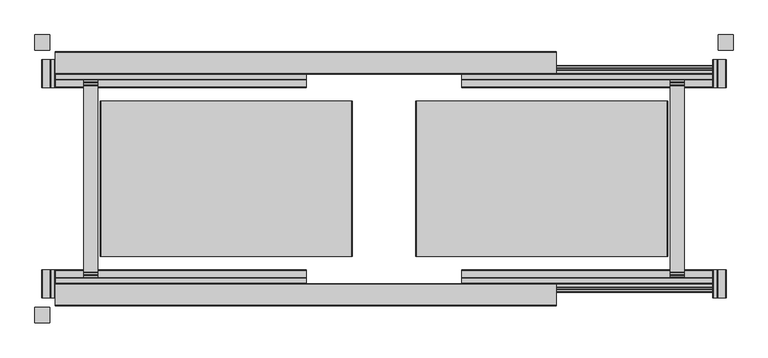
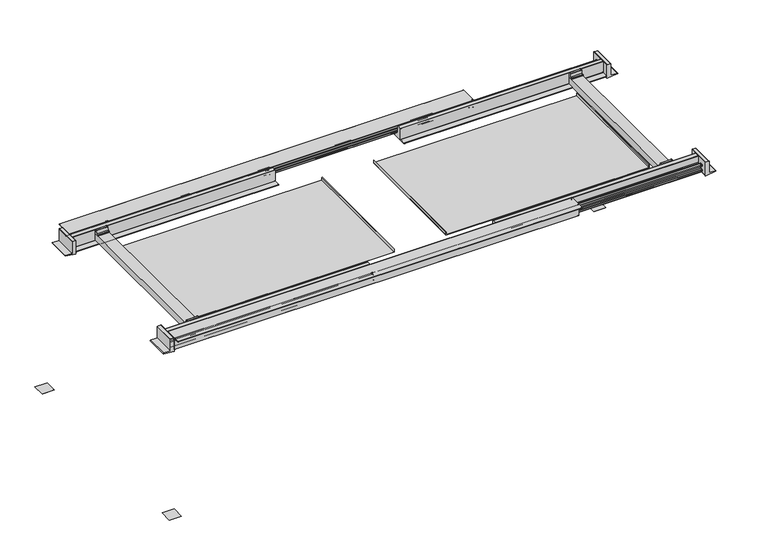
"""IFC4 building model written with IfcOpenShell, lengths in millimetres: furniture geometry."""

from ifc_helpers import new_model, si_unit, point, frame, frame_2d, origin, place, context, project, spatial, polyline, circle_curve, trimmed, segment, composite_curve, outline, extrude, faceted_brep, source, transform, mapped, element, save


def furniture_854560e7(model_context):
    return source(origin(), model_context, "Body", "SolidModel", [
        extrude(outline(composite_curve([segment(polyline([(-664.0054144, 692.1374765), (-665.6185041, 692.1374765)]), True, "CONTINUOUS"), segment(trimmed(circle_curve(frame_2d((-665.6185041, 692.6405674)), 0.5030909), [point((-665.6185041, 692.1374765))], [point((-666.121595, 692.6405674))], False, "CARTESIAN"), True, "CONTINUOUS"), segment(polyline([(-666.121595, 692.6405674), (-666.121595, 698.8728326)]), True, "CONTINUOUS"), segment(trimmed(circle_curve(frame_2d((-665.1401983, 698.8728326)), 0.9813967), [point((-666.121595, 698.8728326))], [point((-665.1401983, 699.8542294))], False, "CARTESIAN"), True, "CONTINUOUS"), segment(polyline([(-665.1401983, 699.8542294), (-656.6941232, 699.8542294)]), True, "CONTINUOUS"), segment(trimmed(circle_curve(frame_2d((-656.6941232, 697.8266666)), 2.0275627), [point((-656.6941232, 699.8542294))], [point((-654.9382044, 698.8404515))], False, "CARTESIAN"), True, "CONTINUOUS"), segment(polyline([(-654.9382044, 698.8404515), (-650.3525487, 690.897899)]), True, "CONTINUOUS"), segment(trimmed(circle_curve(frame_2d((-648.5163338, 691.958043)), 2.1202807), [point((-650.3525487, 690.897899))], [point((-648.5163338, 689.8377623))], True, "CARTESIAN"), True, "CONTINUOUS"), segment(polyline([(-648.5163338, 689.8377623), (-639.4067348, 689.8377623)]), True, "CONTINUOUS"), segment(trimmed(circle_curve(frame_2d((-639.4067348, 692.0120822)), 2.1743199), [point((-639.4067348, 689.8377623))], [point((-637.2324149, 692.0120822))], True, "CARTESIAN"), True, "CONTINUOUS"), segment(polyline([(-637.2324149, 692.0120822), (-637.2324149, 719.0397901)]), True, "CONTINUOUS"), segment(trimmed(circle_curve(frame_2d((-636.2317078, 719.0397901)), 1.0007071), [point((-637.2324149, 719.0397901))], [point((-636.2317078, 720.0404972))], False, "CARTESIAN"), True, "CONTINUOUS"), segment(polyline([(-636.2317078, 720.0404972), (-619.8394583, 720.0404972)]), True, "CONTINUOUS"), segment(trimmed(circle_curve(frame_2d((-619.8394583, 719.0315894)), 1.0089078), [point((-619.8394583, 720.0404972))], [point((-618.8305505, 719.0315894))], False, "CARTESIAN"), True, "CONTINUOUS"), segment(polyline([(-618.8305505, 719.0315894), (-618.8305505, 672.9833047)]), True, "CONTINUOUS"), segment(trimmed(circle_curve(frame_2d((-618.3095425, 672.9833047)), 0.5210081), [point((-618.8305505, 672.9833047))], [point((-618.3095425, 672.4622967))], True, "CARTESIAN"), True, "CONTINUOUS"), segment(polyline([(-618.3095425, 672.4622967), (-594.0166193, 672.4622967)]), True, "CONTINUOUS"), segment(trimmed(circle_curve(frame_2d((-594.0166193, 671.9276897)), 0.5346069), [point((-594.0166193, 672.4622967))], [point((-593.4820123, 671.9276897))], False, "CARTESIAN"), True, "CONTINUOUS"), segment(polyline([(-593.4820123, 671.9276897), (-593.4820123, 670.9693003)]), True, "CONTINUOUS"), segment(trimmed(circle_curve(frame_2d((-594.5442379, 670.9693003)), 1.0622255), [point((-593.4820123, 670.9693003))], [point((-594.5442379, 669.9070747))], False, "CARTESIAN"), True, "CONTINUOUS"), segment(polyline([(-594.5442379, 669.9070747), (-665.100769, 669.9070747)]), True, "CONTINUOUS"), segment(trimmed(circle_curve(frame_2d((-665.100769, 670.9638083)), 1.0567335), [point((-665.100769, 669.9070747))], [point((-666.1575025, 670.9638083))], False, "CARTESIAN"), True, "CONTINUOUS"), segment(polyline([(-666.1575025, 670.9638083), (-666.1575025, 677.3171602), (-664.010774, 677.3171602)]), True, "CONTINUOUS"), segment(trimmed(circle_curve(frame_2d((-664.010774, 676.802161)), 0.5149992), [point((-664.010774, 677.3171602))], [point((-663.4957748, 676.802161))], False, "CARTESIAN"), True, "CONTINUOUS"), segment(polyline([(-663.4957748, 676.802161), (-663.4957748, 673.0347332)]), True, "CONTINUOUS"), segment(trimmed(circle_curve(frame_2d((-662.9233382, 673.0347332)), 0.5724365), [point((-663.4957748, 673.0347332))], [point((-662.9233382, 672.4622967))], True, "CARTESIAN"), True, "CONTINUOUS"), segment(polyline([(-662.9233382, 672.4622967), (-657.6605323, 672.4622967)]), True, "CONTINUOUS"), segment(trimmed(circle_curve(frame_2d((-657.6605323, 672.9596902)), 0.4973935), [point((-657.6605323, 672.4622967))], [point((-657.1631387, 672.9596902))], True, "CARTESIAN"), True, "CONTINUOUS"), segment(polyline([(-657.1631387, 672.9596902), (-657.1631387, 678.5947712)]), True, "CONTINUOUS"), segment(trimmed(circle_curve(frame_2d((-656.4889976, 678.5947712)), 0.6741412), [point((-657.1631387, 678.5947712))], [point((-656.6520871, 679.2488875))], False, "CARTESIAN"), True, "CONTINUOUS"), segment(polyline([(-656.6520871, 679.2488875), (-656.6520871, 690.3487776)]), True, "CONTINUOUS"), segment(trimmed(circle_curve(frame_2d((-656.6436756, 690.8747711)), 0.5260608), [point((-656.6520871, 690.3487776))], [point((-657.1631387, 690.9578252))], False, "CARTESIAN"), True, "CONTINUOUS"), segment(polyline([(-657.1631387, 690.9578252), (-657.1631387, 696.7295036)]), True, "CONTINUOUS"), segment(trimmed(circle_curve(frame_2d((-657.7326425, 696.7295036)), 0.5695038), [point((-657.1631387, 696.7295036))], [point((-657.7326425, 697.2990074))], True, "CARTESIAN"), True, "CONTINUOUS"), segment(polyline([(-657.7326425, 697.2990074), (-662.9627406, 697.2990074)]), True, "CONTINUOUS"), segment(trimmed(circle_curve(frame_2d((-662.9627406, 696.7659732)), 0.5330342), [point((-662.9627406, 697.2990074))], [point((-663.4957748, 696.7659732))], True, "CARTESIAN"), True, "CONTINUOUS"), segment(polyline([(-663.4957748, 696.7659732), (-663.4957748, 692.6471162)]), True, "CONTINUOUS"), segment(trimmed(circle_curve(frame_2d((-664.0054144, 692.6471162)), 0.5096396), [point((-663.4957748, 692.6471162))], [point((-664.0054144, 692.1374765))], False, "CARTESIAN"), True, "CONTINUOUS")], self_intersect=False)), frame((100.4221662, 0.0, 0.0), z_axis=(1.0, 0.0, 0.0), x_axis=(0.0, 1.0, 0.0)), (0.0, 0.0, 1.0), 828.04),
        extrude(outline(composite_curve([segment(polyline([(-664.0054144, 692.1374765), (-665.6185041, 692.1374765)]), True, "CONTINUOUS"), segment(trimmed(circle_curve(frame_2d((-665.6185041, 692.6405674)), 0.5030909), [point((-665.6185041, 692.1374765))], [point((-666.121595, 692.6405674))], False, "CARTESIAN"), True, "CONTINUOUS"), segment(polyline([(-666.121595, 692.6405674), (-666.121595, 698.8728326)]), True, "CONTINUOUS"), segment(trimmed(circle_curve(frame_2d((-665.1401983, 698.8728326)), 0.9813967), [point((-666.121595, 698.8728326))], [point((-665.1401983, 699.8542294))], False, "CARTESIAN"), True, "CONTINUOUS"), segment(polyline([(-665.1401983, 699.8542294), (-656.6941232, 699.8542294)]), True, "CONTINUOUS"), segment(trimmed(circle_curve(frame_2d((-656.6941232, 697.8266666)), 2.0275627), [point((-656.6941232, 699.8542294))], [point((-654.9382044, 698.8404515))], False, "CARTESIAN"), True, "CONTINUOUS"), segment(polyline([(-654.9382044, 698.8404515), (-650.3525487, 690.897899)]), True, "CONTINUOUS"), segment(trimmed(circle_curve(frame_2d((-648.5163338, 691.958043)), 2.1202807), [point((-650.3525487, 690.897899))], [point((-648.5163338, 689.8377623))], True, "CARTESIAN"), True, "CONTINUOUS"), segment(polyline([(-648.5163338, 689.8377623), (-639.4067348, 689.8377623)]), True, "CONTINUOUS"), segment(trimmed(circle_curve(frame_2d((-639.4067348, 692.0120822)), 2.1743199), [point((-639.4067348, 689.8377623))], [point((-637.2324149, 692.0120822))], True, "CARTESIAN"), True, "CONTINUOUS"), segment(polyline([(-637.2324149, 692.0120822), (-637.2324149, 719.0397901)]), True, "CONTINUOUS"), segment(trimmed(circle_curve(frame_2d((-636.2317078, 719.0397901)), 1.0007071), [point((-637.2324149, 719.0397901))], [point((-636.2317078, 720.0404972))], False, "CARTESIAN"), True, "CONTINUOUS"), segment(polyline([(-636.2317078, 720.0404972), (-619.8394583, 720.0404972)]), True, "CONTINUOUS"), segment(trimmed(circle_curve(frame_2d((-619.8394583, 719.0315894)), 1.0089078), [point((-619.8394583, 720.0404972))], [point((-618.8305505, 719.0315894))], False, "CARTESIAN"), True, "CONTINUOUS"), segment(polyline([(-618.8305505, 719.0315894), (-618.8305505, 672.9833047)]), True, "CONTINUOUS"), segment(trimmed(circle_curve(frame_2d((-618.3095425, 672.9833047)), 0.5210081), [point((-618.8305505, 672.9833047))], [point((-618.3095425, 672.4622967))], True, "CARTESIAN"), True, "CONTINUOUS"), segment(polyline([(-618.3095425, 672.4622967), (-594.0166193, 672.4622967)]), True, "CONTINUOUS"), segment(trimmed(circle_curve(frame_2d((-594.0166193, 671.9276897)), 0.5346069), [point((-594.0166193, 672.4622967))], [point((-593.4820123, 671.9276897))], False, "CARTESIAN"), True, "CONTINUOUS"), segment(polyline([(-593.4820123, 671.9276897), (-593.4820123, 670.9693003)]), True, "CONTINUOUS"), segment(trimmed(circle_curve(frame_2d((-594.5442379, 670.9693003)), 1.0622255), [point((-593.4820123, 670.9693003))], [point((-594.5442379, 669.9070747))], False, "CARTESIAN"), True, "CONTINUOUS"), segment(polyline([(-594.5442379, 669.9070747), (-665.100769, 669.9070747)]), True, "CONTINUOUS"), segment(trimmed(circle_curve(frame_2d((-665.100769, 670.9638083)), 1.0567335), [point((-665.100769, 669.9070747))], [point((-666.1575025, 670.9638083))], False, "CARTESIAN"), True, "CONTINUOUS"), segment(polyline([(-666.1575025, 670.9638083), (-666.1575025, 677.3171602), (-664.010774, 677.3171602)]), True, "CONTINUOUS"), segment(trimmed(circle_curve(frame_2d((-664.010774, 676.802161)), 0.5149992), [point((-664.010774, 677.3171602))], [point((-663.4957748, 676.802161))], False, "CARTESIAN"), True, "CONTINUOUS"), segment(polyline([(-663.4957748, 676.802161), (-663.4957748, 673.0347332)]), True, "CONTINUOUS"), segment(trimmed(circle_curve(frame_2d((-662.9233382, 673.0347332)), 0.5724365), [point((-663.4957748, 673.0347332))], [point((-662.9233382, 672.4622967))], True, "CARTESIAN"), True, "CONTINUOUS"), segment(polyline([(-662.9233382, 672.4622967), (-657.6605323, 672.4622967)]), True, "CONTINUOUS"), segment(trimmed(circle_curve(frame_2d((-657.6605323, 672.9596902)), 0.4973935), [point((-657.6605323, 672.4622967))], [point((-657.1631387, 672.9596902))], True, "CARTESIAN"), True, "CONTINUOUS"), segment(polyline([(-657.1631387, 672.9596902), (-657.1631387, 678.5947712)]), True, "CONTINUOUS"), segment(trimmed(circle_curve(frame_2d((-656.4889976, 678.5947712)), 0.6741412), [point((-657.1631387, 678.5947712))], [point((-656.6520871, 679.2488875))], False, "CARTESIAN"), True, "CONTINUOUS"), segment(polyline([(-656.6520871, 679.2488875), (-656.6520871, 690.3487776)]), True, "CONTINUOUS"), segment(trimmed(circle_curve(frame_2d((-656.6436756, 690.8747711)), 0.5260608), [point((-656.6520871, 690.3487776))], [point((-657.1631387, 690.9578252))], False, "CARTESIAN"), True, "CONTINUOUS"), segment(polyline([(-657.1631387, 690.9578252), (-657.1631387, 696.7295036)]), True, "CONTINUOUS"), segment(trimmed(circle_curve(frame_2d((-657.7326425, 696.7295036)), 0.5695038), [point((-657.1631387, 696.7295036))], [point((-657.7326425, 697.2990074))], True, "CARTESIAN"), True, "CONTINUOUS"), segment(polyline([(-657.7326425, 697.2990074), (-662.9627406, 697.2990074)]), True, "CONTINUOUS"), segment(trimmed(circle_curve(frame_2d((-662.9627406, 696.7659732)), 0.5330342), [point((-662.9627406, 697.2990074))], [point((-663.4957748, 696.7659732))], True, "CARTESIAN"), True, "CONTINUOUS"), segment(polyline([(-663.4957748, 696.7659732), (-663.4957748, 692.6471162)]), True, "CONTINUOUS"), segment(trimmed(circle_curve(frame_2d((-664.0054144, 692.6471162)), 0.5096396), [point((-663.4957748, 692.6471162))], [point((-664.0054144, 692.1374765))], False, "CARTESIAN"), True, "CONTINUOUS")], self_intersect=False)), frame((-1239.3527425, 0.0, 0.0), z_axis=(1.0, 0.0, 0.0), x_axis=(0.0, 1.0, 0.0)), (0.0, 0.0, 1.0), 828.04),
        extrude(outline(composite_curve([segment(trimmed(circle_curve(frame_2d((-710.3503281, 719.561379)), 0.5184953), [point((-710.3503281, 719.0428837))], [point((-710.8688234, 719.561379))], False, "CARTESIAN"), True, "CONTINUOUS"), segment(polyline([(-710.8688234, 719.561379), (-710.8688234, 720.5558969)]), True, "CONTINUOUS"), segment(trimmed(circle_curve(frame_2d((-709.8266147, 720.5558969)), 1.0422087), [point((-710.8688234, 720.5558969))], [point((-709.8266147, 721.5981056))], False, "CARTESIAN"), True, "CONTINUOUS"), segment(polyline([(-709.8266147, 721.5981056), (-639.3499458, 721.5981056)]), True, "CONTINUOUS"), segment(trimmed(circle_curve(frame_2d((-639.3499458, 720.474301)), 1.1238046), [point((-639.3499458, 721.5981056))], [point((-638.2261412, 720.474301))], False, "CARTESIAN"), True, "CONTINUOUS"), segment(polyline([(-638.2261412, 720.474301), (-638.2261412, 714.1880201), (-640.2557025, 714.1880201)]), True, "CONTINUOUS"), segment(trimmed(circle_curve(frame_2d((-640.2557025, 714.7137808)), 0.5257607), [point((-640.2557025, 714.1880201))], [point((-640.7814631, 714.7137808))], False, "CARTESIAN"), True, "CONTINUOUS"), segment(polyline([(-640.7814631, 714.7137808), (-640.7814631, 718.5453203)]), True, "CONTINUOUS"), segment(trimmed(circle_curve(frame_2d((-641.2790265, 718.5453203)), 0.4975633), [point((-640.7814631, 718.5453203))], [point((-641.2790265, 719.0428837))], True, "CARTESIAN"), True, "CONTINUOUS"), segment(polyline([(-641.2790265, 719.0428837), (-646.7486124, 719.0428837)]), True, "CONTINUOUS"), segment(trimmed(circle_curve(frame_2d((-646.7486124, 718.4965538)), 0.5463299), [point((-646.7486124, 719.0428837))], [point((-647.2949423, 718.4965538))], True, "CARTESIAN"), True, "CONTINUOUS"), segment(polyline([(-647.2949423, 718.4965538), (-647.2949423, 713.0710995)]), True, "CONTINUOUS"), segment(trimmed(circle_curve(frame_2d((-647.8381804, 712.9534926)), 0.5558229), [point((-647.2949423, 713.0710995))], [point((-647.805994, 712.3986024))], False, "CARTESIAN"), True, "CONTINUOUS"), segment(polyline([(-647.805994, 712.3986024), (-647.805994, 701.1563301)]), True, "CONTINUOUS"), segment(trimmed(circle_curve(frame_2d((-647.8895382, 700.5617282)), 0.6004424), [point((-647.805994, 701.1563301))], [point((-647.2949423, 700.4781417))], False, "CARTESIAN"), True, "CONTINUOUS"), segment(polyline([(-647.2949423, 700.4781417), (-647.2949423, 694.7344457)]), True, "CONTINUOUS"), segment(trimmed(circle_curve(frame_2d((-646.7666695, 694.7344457)), 0.5282728), [point((-647.2949423, 694.7344457))], [point((-646.7666695, 694.2061729))], True, "CARTESIAN"), True, "CONTINUOUS"), segment(polyline([(-646.7666695, 694.2061729), (-641.2937409, 694.2061729)]), True, "CONTINUOUS"), segment(trimmed(circle_curve(frame_2d((-641.2937409, 694.7184507)), 0.5122777), [point((-641.2937409, 694.2061729))], [point((-640.7814631, 694.7184507))], True, "CARTESIAN"), True, "CONTINUOUS"), segment(polyline([(-640.7814631, 694.7184507), (-640.7814631, 698.8262987)]), True, "CONTINUOUS"), segment(trimmed(circle_curve(frame_2d((-640.240058, 698.8262987)), 0.5414051), [point((-640.7814631, 698.8262987))], [point((-640.240058, 699.3677038))], False, "CARTESIAN"), True, "CONTINUOUS"), segment(polyline([(-640.240058, 699.3677038), (-638.7670585, 699.3677038)]), True, "CONTINUOUS"), segment(trimmed(circle_curve(frame_2d((-638.7670585, 698.8267865)), 0.5409173), [point((-638.7670585, 699.3677038))], [point((-638.2261412, 698.8267865))], False, "CARTESIAN"), True, "CONTINUOUS"), segment(polyline([(-638.2261412, 698.8267865), (-638.2261412, 692.6569061)]), True, "CONTINUOUS"), segment(trimmed(circle_curve(frame_2d((-639.2320963, 692.6569061)), 1.0059551), [point((-638.2261412, 692.6569061))], [point((-639.2320963, 691.650951))], False, "CARTESIAN"), True, "CONTINUOUS"), segment(polyline([(-639.2320963, 691.650951), (-647.5467541, 691.650951)]), True, "CONTINUOUS"), segment(trimmed(circle_curve(frame_2d((-647.5467541, 693.8686588)), 2.2177077), [point((-647.5467541, 691.650951))], [point((-649.4680231, 692.7609795))], False, "CARTESIAN"), True, "CONTINUOUS"), segment(polyline([(-649.4680231, 692.7609795), (-653.965085, 700.5611309)]), True, "CONTINUOUS"), segment(trimmed(circle_curve(frame_2d((-655.8798783, 699.4571852)), 2.2102329), [point((-653.965085, 700.5611309))], [point((-655.8798783, 701.6674181))], True, "CARTESIAN"), True, "CONTINUOUS"), segment(polyline([(-655.8798783, 701.6674181), (-665.0085569, 701.6674181)]), True, "CONTINUOUS"), segment(trimmed(circle_curve(frame_2d((-665.0085569, 699.5247462)), 2.1426719), [point((-665.0085569, 701.6674181))], [point((-667.1512288, 699.5247462))], True, "CARTESIAN"), True, "CONTINUOUS"), segment(polyline([(-667.1512288, 699.5247462), (-667.1512288, 672.4669547)]), True, "CONTINUOUS"), segment(trimmed(circle_curve(frame_2d((-668.1535004, 672.4669547)), 1.0022716), [point((-667.1512288, 672.4669547))], [point((-668.1535004, 671.4646832))], False, "CARTESIAN"), True, "CONTINUOUS"), segment(polyline([(-668.1535004, 671.4646832), (-684.4996082, 671.4646832)]), True, "CONTINUOUS"), segment(trimmed(circle_curve(frame_2d((-684.4996082, 672.4860996)), 1.0214165), [point((-684.4996082, 671.4646832))], [point((-685.5210247, 672.4860996))], False, "CARTESIAN"), True, "CONTINUOUS"), segment(polyline([(-685.5210247, 672.4860996), (-685.5210247, 718.5127518)]), True, "CONTINUOUS"), segment(trimmed(circle_curve(frame_2d((-686.0511566, 718.5127518)), 0.5301319), [point((-685.5210247, 718.5127518))], [point((-686.0511566, 719.0428837))], True, "CARTESIAN"), True, "CONTINUOUS"), segment(polyline([(-686.0511566, 719.0428837), (-710.3503281, 719.0428837)]), True, "CONTINUOUS")], self_intersect=False)), frame((-1239.3527425, 0.0, 0.0), z_axis=(1.0, 0.0, 0.0), x_axis=(0.0, 1.0, 0.0)), (0.0, 0.0, 1.0), 1651.0),
        extrude(outline(composite_curve([segment(trimmed(circle_curve(frame_2d((79.8054144, 692.6471162)), 0.5096396), [point((79.8054144, 692.1374765))], [point((79.2957748, 692.6471162))], False, "CARTESIAN"), True, "CONTINUOUS"), segment(polyline([(79.2957748, 692.6471162), (79.2957748, 696.7659732)]), True, "CONTINUOUS"), segment(trimmed(circle_curve(frame_2d((78.7627406, 696.7659732)), 0.5330342), [point((79.2957748, 696.7659732))], [point((78.7627406, 697.2990074))], True, "CARTESIAN"), True, "CONTINUOUS"), segment(polyline([(78.7627406, 697.2990074), (73.5326425, 697.2990074)]), True, "CONTINUOUS"), segment(trimmed(circle_curve(frame_2d((73.5326425, 696.7295036)), 0.5695038), [point((73.5326425, 697.2990074))], [point((72.9631387, 696.7295036))], True, "CARTESIAN"), True, "CONTINUOUS"), segment(polyline([(72.9631387, 696.7295036), (72.9631387, 690.9578252)]), True, "CONTINUOUS"), segment(trimmed(circle_curve(frame_2d((72.4436756, 690.8747711)), 0.5260608), [point((72.9631387, 690.9578252))], [point((72.4520871, 690.3487776))], False, "CARTESIAN"), True, "CONTINUOUS"), segment(polyline([(72.4520871, 690.3487776), (72.4520871, 679.2488875)]), True, "CONTINUOUS"), segment(trimmed(circle_curve(frame_2d((72.2889976, 678.5947712)), 0.6741412), [point((72.4520871, 679.2488875))], [point((72.9631387, 678.5947712))], False, "CARTESIAN"), True, "CONTINUOUS"), segment(polyline([(72.9631387, 678.5947712), (72.9631387, 672.9596902)]), True, "CONTINUOUS"), segment(trimmed(circle_curve(frame_2d((73.4605323, 672.9596902)), 0.4973935), [point((72.9631387, 672.9596902))], [point((73.4605323, 672.4622967))], True, "CARTESIAN"), True, "CONTINUOUS"), segment(polyline([(73.4605323, 672.4622967), (78.7233382, 672.4622967)]), True, "CONTINUOUS"), segment(trimmed(circle_curve(frame_2d((78.7233382, 673.0347332)), 0.5724365), [point((78.7233382, 672.4622967))], [point((79.2957748, 673.0347332))], True, "CARTESIAN"), True, "CONTINUOUS"), segment(polyline([(79.2957748, 673.0347332), (79.2957748, 676.802161)]), True, "CONTINUOUS"), segment(trimmed(circle_curve(frame_2d((79.810774, 676.802161)), 0.5149992), [point((79.2957748, 676.802161))], [point((79.810774, 677.3171602))], False, "CARTESIAN"), True, "CONTINUOUS"), segment(polyline([(79.810774, 677.3171602), (81.9575025, 677.3171602), (81.9575025, 670.9638083)]), True, "CONTINUOUS"), segment(trimmed(circle_curve(frame_2d((80.900769, 670.9638083)), 1.0567335), [point((81.9575025, 670.9638083))], [point((80.900769, 669.9070747))], False, "CARTESIAN"), True, "CONTINUOUS"), segment(polyline([(80.900769, 669.9070747), (10.3442379, 669.9070747)]), True, "CONTINUOUS"), segment(trimmed(circle_curve(frame_2d((10.3442379, 670.9693003)), 1.0622255), [point((10.3442379, 669.9070747))], [point((9.2820123, 670.9693003))], False, "CARTESIAN"), True, "CONTINUOUS"), segment(polyline([(9.2820123, 670.9693003), (9.2820123, 671.9276897)]), True, "CONTINUOUS"), segment(trimmed(circle_curve(frame_2d((9.8166193, 671.9276897)), 0.5346069), [point((9.2820123, 671.9276897))], [point((9.8166193, 672.4622967))], False, "CARTESIAN"), True, "CONTINUOUS"), segment(polyline([(9.8166193, 672.4622967), (34.1095425, 672.4622967)]), True, "CONTINUOUS"), segment(trimmed(circle_curve(frame_2d((34.1095425, 672.9833047)), 0.5210081), [point((34.1095425, 672.4622967))], [point((34.6305505, 672.9833047))], True, "CARTESIAN"), True, "CONTINUOUS"), segment(polyline([(34.6305505, 672.9833047), (34.6305505, 719.0315894)]), True, "CONTINUOUS"), segment(trimmed(circle_curve(frame_2d((35.6394583, 719.0315894)), 1.0089078), [point((34.6305505, 719.0315894))], [point((35.6394583, 720.0404972))], False, "CARTESIAN"), True, "CONTINUOUS"), segment(polyline([(35.6394583, 720.0404972), (52.0317078, 720.0404972)]), True, "CONTINUOUS"), segment(trimmed(circle_curve(frame_2d((52.0317078, 719.0397901)), 1.0007071), [point((52.0317078, 720.0404972))], [point((53.0324149, 719.0397901))], False, "CARTESIAN"), True, "CONTINUOUS"), segment(polyline([(53.0324149, 719.0397901), (53.0324149, 692.0120822)]), True, "CONTINUOUS"), segment(trimmed(circle_curve(frame_2d((55.2067348, 692.0120822)), 2.1743199), [point((53.0324149, 692.0120822))], [point((55.2067348, 689.8377623))], True, "CARTESIAN"), True, "CONTINUOUS"), segment(polyline([(55.2067348, 689.8377623), (64.3163338, 689.8377623)]), True, "CONTINUOUS"), segment(trimmed(circle_curve(frame_2d((64.3163338, 691.958043)), 2.1202807), [point((64.3163338, 689.8377623))], [point((66.1525487, 690.897899))], True, "CARTESIAN"), True, "CONTINUOUS"), segment(polyline([(66.1525487, 690.897899), (70.7382044, 698.8404515)]), True, "CONTINUOUS"), segment(trimmed(circle_curve(frame_2d((72.4941232, 697.8266666)), 2.0275627), [point((70.7382044, 698.8404515))], [point((72.4941232, 699.8542294))], False, "CARTESIAN"), True, "CONTINUOUS"), segment(polyline([(72.4941232, 699.8542294), (80.9401983, 699.8542294)]), True, "CONTINUOUS"), segment(trimmed(circle_curve(frame_2d((80.9401983, 698.8728326)), 0.9813967), [point((80.9401983, 699.8542294))], [point((81.921595, 698.8728326))], False, "CARTESIAN"), True, "CONTINUOUS"), segment(polyline([(81.921595, 698.8728326), (81.921595, 692.6405674)]), True, "CONTINUOUS"), segment(trimmed(circle_curve(frame_2d((81.4185041, 692.6405674)), 0.5030909), [point((81.921595, 692.6405674))], [point((81.4185041, 692.1374765))], False, "CARTESIAN"), True, "CONTINUOUS"), segment(polyline([(81.4185041, 692.1374765), (79.8054144, 692.1374765)]), True, "CONTINUOUS")], self_intersect=False)), frame((100.4221662, 0.0, 0.0), z_axis=(1.0, 0.0, 0.0), x_axis=(0.0, 1.0, 0.0)), (0.0, 0.0, 1.0), 828.04),
        extrude(outline(composite_curve([segment(trimmed(circle_curve(frame_2d((79.8054144, 692.6471162)), 0.5096396), [point((79.8054144, 692.1374765))], [point((79.2957748, 692.6471162))], False, "CARTESIAN"), True, "CONTINUOUS"), segment(polyline([(79.2957748, 692.6471162), (79.2957748, 696.7659732)]), True, "CONTINUOUS"), segment(trimmed(circle_curve(frame_2d((78.7627406, 696.7659732)), 0.5330342), [point((79.2957748, 696.7659732))], [point((78.7627406, 697.2990074))], True, "CARTESIAN"), True, "CONTINUOUS"), segment(polyline([(78.7627406, 697.2990074), (73.5326425, 697.2990074)]), True, "CONTINUOUS"), segment(trimmed(circle_curve(frame_2d((73.5326425, 696.7295036)), 0.5695038), [point((73.5326425, 697.2990074))], [point((72.9631387, 696.7295036))], True, "CARTESIAN"), True, "CONTINUOUS"), segment(polyline([(72.9631387, 696.7295036), (72.9631387, 690.9578252)]), True, "CONTINUOUS"), segment(trimmed(circle_curve(frame_2d((72.4436756, 690.8747711)), 0.5260608), [point((72.9631387, 690.9578252))], [point((72.4520871, 690.3487776))], False, "CARTESIAN"), True, "CONTINUOUS"), segment(polyline([(72.4520871, 690.3487776), (72.4520871, 679.2488875)]), True, "CONTINUOUS"), segment(trimmed(circle_curve(frame_2d((72.2889976, 678.5947712)), 0.6741412), [point((72.4520871, 679.2488875))], [point((72.9631387, 678.5947712))], False, "CARTESIAN"), True, "CONTINUOUS"), segment(polyline([(72.9631387, 678.5947712), (72.9631387, 672.9596902)]), True, "CONTINUOUS"), segment(trimmed(circle_curve(frame_2d((73.4605323, 672.9596902)), 0.4973935), [point((72.9631387, 672.9596902))], [point((73.4605323, 672.4622967))], True, "CARTESIAN"), True, "CONTINUOUS"), segment(polyline([(73.4605323, 672.4622967), (78.7233382, 672.4622967)]), True, "CONTINUOUS"), segment(trimmed(circle_curve(frame_2d((78.7233382, 673.0347332)), 0.5724365), [point((78.7233382, 672.4622967))], [point((79.2957748, 673.0347332))], True, "CARTESIAN"), True, "CONTINUOUS"), segment(polyline([(79.2957748, 673.0347332), (79.2957748, 676.802161)]), True, "CONTINUOUS"), segment(trimmed(circle_curve(frame_2d((79.810774, 676.802161)), 0.5149992), [point((79.2957748, 676.802161))], [point((79.810774, 677.3171602))], False, "CARTESIAN"), True, "CONTINUOUS"), segment(polyline([(79.810774, 677.3171602), (81.9575025, 677.3171602), (81.9575025, 670.9638083)]), True, "CONTINUOUS"), segment(trimmed(circle_curve(frame_2d((80.900769, 670.9638083)), 1.0567335), [point((81.9575025, 670.9638083))], [point((80.900769, 669.9070747))], False, "CARTESIAN"), True, "CONTINUOUS"), segment(polyline([(80.900769, 669.9070747), (10.3442379, 669.9070747)]), True, "CONTINUOUS"), segment(trimmed(circle_curve(frame_2d((10.3442379, 670.9693003)), 1.0622255), [point((10.3442379, 669.9070747))], [point((9.2820123, 670.9693003))], False, "CARTESIAN"), True, "CONTINUOUS"), segment(polyline([(9.2820123, 670.9693003), (9.2820123, 671.9276897)]), True, "CONTINUOUS"), segment(trimmed(circle_curve(frame_2d((9.8166193, 671.9276897)), 0.5346069), [point((9.2820123, 671.9276897))], [point((9.8166193, 672.4622967))], False, "CARTESIAN"), True, "CONTINUOUS"), segment(polyline([(9.8166193, 672.4622967), (34.1095425, 672.4622967)]), True, "CONTINUOUS"), segment(trimmed(circle_curve(frame_2d((34.1095425, 672.9833047)), 0.5210081), [point((34.1095425, 672.4622967))], [point((34.6305505, 672.9833047))], True, "CARTESIAN"), True, "CONTINUOUS"), segment(polyline([(34.6305505, 672.9833047), (34.6305505, 719.0315894)]), True, "CONTINUOUS"), segment(trimmed(circle_curve(frame_2d((35.6394583, 719.0315894)), 1.0089078), [point((34.6305505, 719.0315894))], [point((35.6394583, 720.0404972))], False, "CARTESIAN"), True, "CONTINUOUS"), segment(polyline([(35.6394583, 720.0404972), (52.0317078, 720.0404972)]), True, "CONTINUOUS"), segment(trimmed(circle_curve(frame_2d((52.0317078, 719.0397901)), 1.0007071), [point((52.0317078, 720.0404972))], [point((53.0324149, 719.0397901))], False, "CARTESIAN"), True, "CONTINUOUS"), segment(polyline([(53.0324149, 719.0397901), (53.0324149, 692.0120822)]), True, "CONTINUOUS"), segment(trimmed(circle_curve(frame_2d((55.2067348, 692.0120822)), 2.1743199), [point((53.0324149, 692.0120822))], [point((55.2067348, 689.8377623))], True, "CARTESIAN"), True, "CONTINUOUS"), segment(polyline([(55.2067348, 689.8377623), (64.3163338, 689.8377623)]), True, "CONTINUOUS"), segment(trimmed(circle_curve(frame_2d((64.3163338, 691.958043)), 2.1202807), [point((64.3163338, 689.8377623))], [point((66.1525487, 690.897899))], True, "CARTESIAN"), True, "CONTINUOUS"), segment(polyline([(66.1525487, 690.897899), (70.7382044, 698.8404515)]), True, "CONTINUOUS"), segment(trimmed(circle_curve(frame_2d((72.4941232, 697.8266666)), 2.0275627), [point((70.7382044, 698.8404515))], [point((72.4941232, 699.8542294))], False, "CARTESIAN"), True, "CONTINUOUS"), segment(polyline([(72.4941232, 699.8542294), (80.9401983, 699.8542294)]), True, "CONTINUOUS"), segment(trimmed(circle_curve(frame_2d((80.9401983, 698.8728326)), 0.9813967), [point((80.9401983, 699.8542294))], [point((81.921595, 698.8728326))], False, "CARTESIAN"), True, "CONTINUOUS"), segment(polyline([(81.921595, 698.8728326), (81.921595, 692.6405674)]), True, "CONTINUOUS"), segment(trimmed(circle_curve(frame_2d((81.4185041, 692.6405674)), 0.5030909), [point((81.921595, 692.6405674))], [point((81.4185041, 692.1374765))], False, "CARTESIAN"), True, "CONTINUOUS"), segment(polyline([(81.4185041, 692.1374765), (79.8054144, 692.1374765)]), True, "CONTINUOUS")], self_intersect=False)), frame((-1239.3527425, 0.0, 0.0), z_axis=(1.0, 0.0, 0.0), x_axis=(0.0, 1.0, 0.0)), (0.0, 0.0, 1.0), 828.04),
        extrude(outline(composite_curve([segment(polyline([(126.1503281, 719.0428837), (101.8511566, 719.0428837)]), True, "CONTINUOUS"), segment(trimmed(circle_curve(frame_2d((101.8511566, 718.5127518)), 0.5301319), [point((101.8511566, 719.0428837))], [point((101.3210247, 718.5127518))], True, "CARTESIAN"), True, "CONTINUOUS"), segment(polyline([(101.3210247, 718.5127518), (101.3210247, 672.4860996)]), True, "CONTINUOUS"), segment(trimmed(circle_curve(frame_2d((100.2996082, 672.4860996)), 1.0214165), [point((101.3210247, 672.4860996))], [point((100.2996082, 671.4646832))], False, "CARTESIAN"), True, "CONTINUOUS"), segment(polyline([(100.2996082, 671.4646832), (83.9535004, 671.4646832)]), True, "CONTINUOUS"), segment(trimmed(circle_curve(frame_2d((83.9535004, 672.4669547)), 1.0022716), [point((83.9535004, 671.4646832))], [point((82.9512288, 672.4669547))], False, "CARTESIAN"), True, "CONTINUOUS"), segment(polyline([(82.9512288, 672.4669547), (82.9512288, 699.5247462)]), True, "CONTINUOUS"), segment(trimmed(circle_curve(frame_2d((80.8085569, 699.5247462)), 2.1426719), [point((82.9512288, 699.5247462))], [point((80.8085569, 701.6674181))], True, "CARTESIAN"), True, "CONTINUOUS"), segment(polyline([(80.8085569, 701.6674181), (71.6798783, 701.6674181)]), True, "CONTINUOUS"), segment(trimmed(circle_curve(frame_2d((71.6798783, 699.4571852)), 2.2102329), [point((71.6798783, 701.6674181))], [point((69.765085, 700.5611309))], True, "CARTESIAN"), True, "CONTINUOUS"), segment(polyline([(69.765085, 700.5611309), (65.2680231, 692.7609795)]), True, "CONTINUOUS"), segment(trimmed(circle_curve(frame_2d((63.3467541, 693.8686588)), 2.2177077), [point((65.2680231, 692.7609795))], [point((63.3467541, 691.650951))], False, "CARTESIAN"), True, "CONTINUOUS"), segment(polyline([(63.3467541, 691.650951), (55.0320963, 691.650951)]), True, "CONTINUOUS"), segment(trimmed(circle_curve(frame_2d((55.0320963, 692.6569061)), 1.0059551), [point((55.0320963, 691.650951))], [point((54.0261412, 692.6569061))], False, "CARTESIAN"), True, "CONTINUOUS"), segment(polyline([(54.0261412, 692.6569061), (54.0261412, 698.8267865)]), True, "CONTINUOUS"), segment(trimmed(circle_curve(frame_2d((54.5670585, 698.8267865)), 0.5409173), [point((54.0261412, 698.8267865))], [point((54.5670585, 699.3677038))], False, "CARTESIAN"), True, "CONTINUOUS"), segment(polyline([(54.5670585, 699.3677038), (56.040058, 699.3677038)]), True, "CONTINUOUS"), segment(trimmed(circle_curve(frame_2d((56.040058, 698.8262987)), 0.5414051), [point((56.040058, 699.3677038))], [point((56.5814631, 698.8262987))], False, "CARTESIAN"), True, "CONTINUOUS"), segment(polyline([(56.5814631, 698.8262987), (56.5814631, 694.7184507)]), True, "CONTINUOUS"), segment(trimmed(circle_curve(frame_2d((57.0937409, 694.7184507)), 0.5122777), [point((56.5814631, 694.7184507))], [point((57.0937409, 694.2061729))], True, "CARTESIAN"), True, "CONTINUOUS"), segment(polyline([(57.0937409, 694.2061729), (62.5666695, 694.2061729)]), True, "CONTINUOUS"), segment(trimmed(circle_curve(frame_2d((62.5666695, 694.7344457)), 0.5282728), [point((62.5666695, 694.2061729))], [point((63.0949423, 694.7344457))], True, "CARTESIAN"), True, "CONTINUOUS"), segment(polyline([(63.0949423, 694.7344457), (63.0949423, 700.4781417)]), True, "CONTINUOUS"), segment(trimmed(circle_curve(frame_2d((63.6895382, 700.5617282)), 0.6004424), [point((63.0949423, 700.4781417))], [point((63.605994, 701.1563301))], False, "CARTESIAN"), True, "CONTINUOUS"), segment(polyline([(63.605994, 701.1563301), (63.605994, 712.3986024)]), True, "CONTINUOUS"), segment(trimmed(circle_curve(frame_2d((63.6381804, 712.9534926)), 0.5558229), [point((63.605994, 712.3986024))], [point((63.0949423, 713.0710995))], False, "CARTESIAN"), True, "CONTINUOUS"), segment(polyline([(63.0949423, 713.0710995), (63.0949423, 718.4965538)]), True, "CONTINUOUS"), segment(trimmed(circle_curve(frame_2d((62.5486124, 718.4965538)), 0.5463299), [point((63.0949423, 718.4965538))], [point((62.5486124, 719.0428837))], True, "CARTESIAN"), True, "CONTINUOUS"), segment(polyline([(62.5486124, 719.0428837), (57.0790265, 719.0428837)]), True, "CONTINUOUS"), segment(trimmed(circle_curve(frame_2d((57.0790265, 718.5453203)), 0.4975633), [point((57.0790265, 719.0428837))], [point((56.5814631, 718.5453203))], True, "CARTESIAN"), True, "CONTINUOUS"), segment(polyline([(56.5814631, 718.5453203), (56.5814631, 714.7137808)]), True, "CONTINUOUS"), segment(trimmed(circle_curve(frame_2d((56.0557025, 714.7137808)), 0.5257607), [point((56.5814631, 714.7137808))], [point((56.0557025, 714.1880201))], False, "CARTESIAN"), True, "CONTINUOUS"), segment(polyline([(56.0557025, 714.1880201), (54.0261412, 714.1880201), (54.0261412, 720.474301)]), True, "CONTINUOUS"), segment(trimmed(circle_curve(frame_2d((55.1499458, 720.474301)), 1.1238046), [point((54.0261412, 720.474301))], [point((55.1499458, 721.5981056))], False, "CARTESIAN"), True, "CONTINUOUS"), segment(polyline([(55.1499458, 721.5981056), (125.6266147, 721.5981056)]), True, "CONTINUOUS"), segment(trimmed(circle_curve(frame_2d((125.6266147, 720.5558969)), 1.0422087), [point((125.6266147, 721.5981056))], [point((126.6688234, 720.5558969))], False, "CARTESIAN"), True, "CONTINUOUS"), segment(polyline([(126.6688234, 720.5558969), (126.6688234, 719.561379)]), True, "CONTINUOUS"), segment(trimmed(circle_curve(frame_2d((126.1503281, 719.561379)), 0.5184953), [point((126.6688234, 719.561379))], [point((126.1503281, 719.0428837))], False, "CARTESIAN"), True, "CONTINUOUS")], self_intersect=False)), frame((-1239.3527425, 0.0, 0.0), z_axis=(1.0, 0.0, 0.0), x_axis=(0.0, 1.0, 0.0)), (0.0, 0.0, 1.0), 1651.0),
        extrude(outline(composite_curve([segment(polyline([(667.7235674, -260.5110764), (679.1913191, -260.5110764), (679.1913191, -262.0110575), (667.6912943, -262.0110575), (667.6912943, -1089.0110866), (679.1913191, -1089.0110866), (679.1913191, -1090.5047767), (667.7690618, -1090.5047767)]), True, "CONTINUOUS"), segment(trimmed(circle_curve(frame_2d((667.7690618, -1088.9375291)), 1.5672476), [point((667.7690618, -1090.5047767))], [point((666.2018142, -1088.9375291))], False, "CARTESIAN"), True, "CONTINUOUS"), segment(polyline([(666.2018142, -1088.9375291), (666.2018142, -262.0328295)]), True, "CONTINUOUS"), segment(trimmed(circle_curve(frame_2d((667.7235674, -262.0328295)), 1.5217531), [point((666.2018142, -262.0328295))], [point((667.7235674, -260.5110764))], False, "CARTESIAN"), True, "CONTINUOUS")], self_intersect=False)), frame((0.0, -547.7523559, 0.0), z_axis=(0.0, 1.0, 0.0), x_axis=(0.0, 0.0, 1.0)), (0.0, 0.0, 1.0), 511.3853653),
        extrude(outline(composite_curve([segment(trimmed(circle_curve(frame_2d((667.7130663, -48.8577468)), 1.5217531), [point((667.7130663, -50.3795))], [point((666.1913132, -48.8577468))], False, "CARTESIAN"), True, "CONTINUOUS"), segment(polyline([(666.1913132, -48.8577468), (666.1913132, 778.0364518)]), True, "CONTINUOUS"), segment(trimmed(circle_curve(frame_2d((667.7690618, 778.0364518)), 1.5777487), [point((666.1913132, 778.0364518))], [point((667.7690618, 779.6142004))], False, "CARTESIAN"), True, "CONTINUOUS"), segment(polyline([(667.7690618, 779.6142004), (679.1913191, 779.6142004), (679.1913191, 778.1142911), (667.6912943, 778.1142911), (667.6912943, -48.8795188), (679.1913191, -48.8795188), (679.1913191, -50.3795), (667.7130663, -50.3795)]), True, "CONTINUOUS")], self_intersect=False)), frame((0.0, -547.7523559, 0.0), z_axis=(0.0, 1.0, 0.0), x_axis=(0.0, 0.0, 1.0)), (0.0, 0.0, 1.0), 511.3853653),
        extrude(outline(composite_curve([segment(polyline([(34.5751353, 702.8278851), (16.0786176, 702.8278851), (16.0786176, 706.2139165)]), True, "CONTINUOUS"), segment(trimmed(circle_curve(frame_2d((17.087594, 706.2139165)), 1.0089764), [point((16.0786176, 706.2139165))], [point((17.087594, 707.222893))], False, "CARTESIAN"), True, "CONTINUOUS"), segment(polyline([(17.087594, 707.222893), (24.7663837, 707.222893), (25.7435065, 720.6371822)]), True, "CONTINUOUS"), segment(trimmed(circle_curve(frame_2d((26.7769713, 720.5619027)), 1.036203), [point((25.7435065, 720.6371822))], [point((26.7769713, 721.5981056))], False, "CARTESIAN"), True, "CONTINUOUS"), segment(polyline([(26.7769713, 721.5981056), (33.5297947, 721.5981056)]), True, "CONTINUOUS"), segment(trimmed(circle_curve(frame_2d((33.5297947, 720.552765)), 1.0453406), [point((33.5297947, 721.5981056))], [point((34.5751353, 720.552765))], False, "CARTESIAN"), True, "CONTINUOUS"), segment(polyline([(34.5751353, 720.552765), (34.5751353, 702.8278851)]), True, "CONTINUOUS")], self_intersect=False)), frame((-1145.7246917, 0.0, 0.0), z_axis=(1.0, 0.0, 0.0), x_axis=(0.0, 1.0, 0.0)), (0.0, 0.0, 1.0), 46.9788639),
        extrude(outline(composite_curve([segment(polyline([(34.5751353, 702.7095541), (16.0786176, 702.7095541), (16.0786176, 706.0955856)]), True, "CONTINUOUS"), segment(trimmed(circle_curve(frame_2d((17.087594, 706.0955856)), 1.0089764), [point((16.0786176, 706.0955856))], [point((17.087594, 707.104562))], False, "CARTESIAN"), True, "CONTINUOUS"), segment(polyline([(17.087594, 707.104562), (24.7577642, 707.104562), (25.7435065, 720.6371822)]), True, "CONTINUOUS"), segment(trimmed(circle_curve(frame_2d((26.7769713, 720.5619027)), 1.036203), [point((25.7435065, 720.6371822))], [point((26.7769713, 721.5981056))], False, "CARTESIAN"), True, "CONTINUOUS"), segment(polyline([(26.7769713, 721.5981056), (33.1294028, 721.5981056)]), True, "CONTINUOUS"), segment(trimmed(circle_curve(frame_2d((33.1294028, 720.1523731)), 1.4457325), [point((33.1294028, 721.5981056))], [point((34.5751353, 720.1523731))], False, "CARTESIAN"), True, "CONTINUOUS"), segment(polyline([(34.5751353, 720.1523731), (34.5751353, 702.7095541)]), True, "CONTINUOUS")], self_intersect=False)), frame((787.8552515, 0.0, 0.0), z_axis=(1.0, 0.0, 0.0), x_axis=(0.0, 1.0, 0.0)), (0.0, 0.0, 1.0), 46.9788639),
        extrude(outline(composite_curve([segment(polyline([(670.8846313, -1254.7471632), (670.8846313, -1281.6602141)]), True, "CONTINUOUS"), segment(trimmed(circle_curve(frame_2d((669.4956132, -1281.6602141)), 1.3890181), [point((670.8846313, -1281.6602141))], [point((668.1184784, -1281.8415171))], False, "CARTESIAN"), True, "CONTINUOUS"), segment(polyline([(668.1184784, -1281.8415171), (662.6130448, -1240.0235327)]), True, "CONTINUOUS"), segment(trimmed(circle_curve(frame_2d((663.1459846, -1239.95337)), 0.5375384), [point((662.6130448, -1240.0235327))], [point((663.1459846, -1239.4158316))], False, "CARTESIAN"), True, "CONTINUOUS"), segment(polyline([(663.1459846, -1239.4158316), (721.0690473, -1239.4158316)]), True, "CONTINUOUS"), segment(trimmed(circle_curve(frame_2d((721.0690473, -1239.9448899)), 0.5290583), [point((721.0690473, -1239.4158316))], [point((721.5981056, -1239.9448899))], False, "CARTESIAN"), True, "CONTINUOUS"), segment(polyline([(721.5981056, -1239.9448899), (721.5981056, -1254.2244818)]), True, "CONTINUOUS"), segment(trimmed(circle_curve(frame_2d((721.0754243, -1254.2244818)), 0.5226814), [point((721.5981056, -1254.2244818))], [point((721.0754243, -1254.7471632))], False, "CARTESIAN"), True, "CONTINUOUS"), segment(polyline([(721.0754243, -1254.7471632), (670.8846313, -1254.7471632)]), True, "CONTINUOUS")], self_intersect=False)), frame((0.0, 9.2820123, 0.0), z_axis=(0.0, 1.0, 0.0), x_axis=(0.0, 0.0, 1.0)), (0.0, 0.0, 1.0), 92.0216543),
        extrude(outline(composite_curve([segment(polyline([(670.8846313, 943.8565869), (721.0754243, 943.8565869)]), True, "CONTINUOUS"), segment(trimmed(circle_curve(frame_2d((721.0754243, 943.3339055)), 0.5226814), [point((721.0754243, 943.8565869))], [point((721.5981056, 943.3339055))], False, "CARTESIAN"), True, "CONTINUOUS"), segment(polyline([(721.5981056, 943.3339055), (721.5981056, 929.0543136)]), True, "CONTINUOUS"), segment(trimmed(circle_curve(frame_2d((721.0690473, 929.0543136)), 0.5290583), [point((721.5981056, 929.0543136))], [point((721.0690473, 928.5252553))], False, "CARTESIAN"), True, "CONTINUOUS"), segment(polyline([(721.0690473, 928.5252553), (663.1459846, 928.5252553)]), True, "CONTINUOUS"), segment(trimmed(circle_curve(frame_2d((663.1459846, 929.0627937)), 0.5375384), [point((663.1459846, 928.5252553))], [point((662.6130448, 929.1329564))], False, "CARTESIAN"), True, "CONTINUOUS"), segment(polyline([(662.6130448, 929.1329564), (668.1184784, 970.9509408)]), True, "CONTINUOUS"), segment(trimmed(circle_curve(frame_2d((669.4956132, 970.7696378)), 1.3890181), [point((668.1184784, 970.9509408))], [point((670.8846313, 970.7696378))], False, "CARTESIAN"), True, "CONTINUOUS"), segment(polyline([(670.8846313, 970.7696378), (670.8846313, 943.8565869)]), True, "CONTINUOUS")], self_intersect=False)), frame((0.0, 9.2820123, 0.0), z_axis=(0.0, 1.0, 0.0), x_axis=(0.0, 0.0, 1.0)), (0.0, 0.0, 1.0), 92.304843),
        extrude(outline(polyline([(-1145.7246917, 34.5751353), (-1098.7458278, 34.5751353), (-1098.7458278, -618.7751353), (-1145.7246917, -618.7751353), (-1145.7246917, 34.5751353)])), frame((0.0, 0.0, 674.3133546), z_axis=(0.0, 0.0, 1.0), x_axis=(1.0, 0.0, 0.0)), (0.0, 0.0, 1.0), 28.4460753),
        extrude(outline(polyline([(834.8341154, 34.5751353), (834.8341154, -618.7751353), (787.8552515, -618.7751353), (787.8552515, 34.5751353), (834.8341154, 34.5751353)])), frame((0.0, 0.0, 674.3133546), z_axis=(0.0, 0.0, 1.0), x_axis=(1.0, 0.0, 0.0)), (0.0, 0.0, 1.0), 28.4460753),
        extrude(outline(composite_curve([segment(polyline([(-618.7751353, 702.8278851), (-618.7751353, 720.552765)]), True, "CONTINUOUS"), segment(trimmed(circle_curve(frame_2d((-617.7297947, 720.552765)), 1.0453406), [point((-618.7751353, 720.552765))], [point((-617.7297947, 721.5981056))], False, "CARTESIAN"), True, "CONTINUOUS"), segment(polyline([(-617.7297947, 721.5981056), (-610.9769713, 721.5981056)]), True, "CONTINUOUS"), segment(trimmed(circle_curve(frame_2d((-610.9769713, 720.5619027)), 1.036203), [point((-610.9769713, 721.5981056))], [point((-609.9435065, 720.6371822))], False, "CARTESIAN"), True, "CONTINUOUS"), segment(polyline([(-609.9435065, 720.6371822), (-608.9663837, 707.222893), (-601.287594, 707.222893)]), True, "CONTINUOUS"), segment(trimmed(circle_curve(frame_2d((-601.287594, 706.2139165)), 1.0089764), [point((-601.287594, 707.222893))], [point((-600.2786176, 706.2139165))], False, "CARTESIAN"), True, "CONTINUOUS"), segment(polyline([(-600.2786176, 706.2139165), (-600.2786176, 702.8278851), (-618.7751353, 702.8278851)]), True, "CONTINUOUS")], self_intersect=False)), frame((-1145.7246917, 0.0, 0.0), z_axis=(1.0, 0.0, 0.0), x_axis=(0.0, 1.0, 0.0)), (0.0, 0.0, 1.0), 46.9788639),
        extrude(outline(composite_curve([segment(polyline([(-618.7751353, 702.7095541), (-618.7751353, 720.1523731)]), True, "CONTINUOUS"), segment(trimmed(circle_curve(frame_2d((-617.3294028, 720.1523731)), 1.4457325), [point((-618.7751353, 720.1523731))], [point((-617.3294028, 721.5981056))], False, "CARTESIAN"), True, "CONTINUOUS"), segment(polyline([(-617.3294028, 721.5981056), (-610.9769713, 721.5981056)]), True, "CONTINUOUS"), segment(trimmed(circle_curve(frame_2d((-610.9769713, 720.5619027)), 1.036203), [point((-610.9769713, 721.5981056))], [point((-609.9435065, 720.6371822))], False, "CARTESIAN"), True, "CONTINUOUS"), segment(polyline([(-609.9435065, 720.6371822), (-608.9577642, 707.104562), (-601.287594, 707.104562)]), True, "CONTINUOUS"), segment(trimmed(circle_curve(frame_2d((-601.287594, 706.0955856)), 1.0089764), [point((-601.287594, 707.104562))], [point((-600.2786176, 706.0955856))], False, "CARTESIAN"), True, "CONTINUOUS"), segment(polyline([(-600.2786176, 706.0955856), (-600.2786176, 702.7095541), (-618.7751353, 702.7095541)]), True, "CONTINUOUS")], self_intersect=False)), frame((787.8552515, 0.0, 0.0), z_axis=(1.0, 0.0, 0.0), x_axis=(0.0, 1.0, 0.0)), (0.0, 0.0, 1.0), 46.9788639),
        faceted_brep([(-1306.0652882, -715.91096, 7.8640452), (-1306.0652882, -767.08, 7.8640452), (-1256.6845814, -767.08, 7.8640452), (-1256.6845814, -715.91096, 7.8640452), (-1302.3940007, -719.5822107, 3.9258528), (-1260.7305559, -719.5822107, 3.9258528), (-1260.7305559, -761.2458018, 3.9258528), (-1302.3940007, -761.2458018, 3.9258528)], [[[0, 1, 2, 3]], [[4, 5, 6, 7]], [[5, 4, 0, 3]], [[6, 5, 3, 2]], [[7, 6, 2, 1]], [[4, 7, 1, 0]]]),
        faceted_brep([(-1306.0652882, 131.71096, 7.8640452), (-1256.6845814, 131.71096, 7.8640452), (-1256.6845814, 182.88, 7.8640452), (-1306.0652882, 182.88, 7.8640452), (-1302.3940007, 135.3822107, 3.9258528), (-1302.3940007, 177.0458018, 3.9258528), (-1260.7305559, 177.0458018, 3.9258528), (-1260.7305559, 135.3822107, 3.9258528)], [[[0, 1, 2, 3]], [[4, 5, 6, 7]], [[4, 7, 1, 0]], [[7, 6, 2, 1]], [[6, 5, 3, 2]], [[5, 4, 0, 3]]]),
        faceted_brep([(995.1747118, 131.71096, 7.8640452), (995.1747118, 182.88, 7.8640452), (945.7940051, 182.88, 7.8640452), (945.7940051, 131.71096, 7.8640452), (991.5034244, 135.3822107, 3.9258528), (949.8399796, 135.3822107, 3.9258528), (949.8399796, 177.0458018, 3.9258528), (991.5034244, 177.0458018, 3.9258528)], [[[0, 1, 2, 3]], [[4, 5, 6, 7]], [[5, 4, 0, 3]], [[6, 5, 3, 2]], [[7, 6, 2, 1]], [[4, 7, 1, 0]]]),
        extrude(outline(composite_curve([segment(polyline([(670.8846313, -1254.7471632), (670.8846313, -1281.6602141)]), True, "CONTINUOUS"), segment(trimmed(circle_curve(frame_2d((669.4956132, -1281.6602141)), 1.3890181), [point((670.8846313, -1281.6602141))], [point((668.1184784, -1281.8415171))], False, "CARTESIAN"), True, "CONTINUOUS"), segment(polyline([(668.1184784, -1281.8415171), (662.6130448, -1240.0235327)]), True, "CONTINUOUS"), segment(trimmed(circle_curve(frame_2d((663.1459846, -1239.95337)), 0.5375384), [point((662.6130448, -1240.0235327))], [point((663.1459846, -1239.4158316))], False, "CARTESIAN"), True, "CONTINUOUS"), segment(polyline([(663.1459846, -1239.4158316), (721.0690473, -1239.4158316)]), True, "CONTINUOUS"), segment(trimmed(circle_curve(frame_2d((721.0690473, -1239.9448899)), 0.5290583), [point((721.0690473, -1239.4158316))], [point((721.5981056, -1239.9448899))], False, "CARTESIAN"), True, "CONTINUOUS"), segment(polyline([(721.5981056, -1239.9448899), (721.5981056, -1254.2244818)]), True, "CONTINUOUS"), segment(trimmed(circle_curve(frame_2d((721.0754243, -1254.2244818)), 0.5226814), [point((721.5981056, -1254.2244818))], [point((721.0754243, -1254.7471632))], False, "CARTESIAN"), True, "CONTINUOUS"), segment(polyline([(721.0754243, -1254.7471632), (670.8846313, -1254.7471632)]), True, "CONTINUOUS")], self_intersect=False)), frame((0.0, -685.5036666, 0.0), z_axis=(0.0, 1.0, 0.0), x_axis=(0.0, 0.0, 1.0)), (0.0, 0.0, 1.0), 92.0216543),
        extrude(outline(composite_curve([segment(polyline([(670.8846313, 943.8565869), (721.0754243, 943.8565869)]), True, "CONTINUOUS"), segment(trimmed(circle_curve(frame_2d((721.0754243, 943.3339055)), 0.5226814), [point((721.0754243, 943.8565869))], [point((721.5981056, 943.3339055))], False, "CARTESIAN"), True, "CONTINUOUS"), segment(polyline([(721.5981056, 943.3339055), (721.5981056, 929.0543136)]), True, "CONTINUOUS"), segment(trimmed(circle_curve(frame_2d((721.0690473, 929.0543136)), 0.5290583), [point((721.5981056, 929.0543136))], [point((721.0690473, 928.5252553))], False, "CARTESIAN"), True, "CONTINUOUS"), segment(polyline([(721.0690473, 928.5252553), (663.1459846, 928.5252553)]), True, "CONTINUOUS"), segment(trimmed(circle_curve(frame_2d((663.1459846, 929.0627937)), 0.5375384), [point((663.1459846, 928.5252553))], [point((662.6130448, 929.1329564))], False, "CARTESIAN"), True, "CONTINUOUS"), segment(polyline([(662.6130448, 929.1329564), (668.1184784, 970.9509408)]), True, "CONTINUOUS"), segment(trimmed(circle_curve(frame_2d((669.4956132, 970.7696378)), 1.3890181), [point((668.1184784, 970.9509408))], [point((670.8846313, 970.7696378))], False, "CARTESIAN"), True, "CONTINUOUS"), segment(polyline([(670.8846313, 970.7696378), (670.8846313, 943.8565869)]), True, "CONTINUOUS")], self_intersect=False)), frame((0.0, -685.7868553, 0.0), z_axis=(0.0, 1.0, 0.0), x_axis=(0.0, 0.0, 1.0)), (0.0, 0.0, 1.0), 92.304843),
    ])


if __name__ == "__main__":
    model = new_model("IFC4")
    model_context = context("Model", 3, world=origin())
    ifc_project = project(units=[si_unit("LENGTHUNIT", "METRE", prefix="MILLI")], contexts=[model_context])
    site = spatial("IfcSite", under=ifc_project)
    building = spatial("IfcBuilding", under=site)
    placement = place(None, origin())
    furniture_shape = furniture_854560e7(model_context)
    element("IfcFurniture", 1, at=placement, inside=building, context=model_context, shape_type="MappedRepresentation", body=[
        mapped(furniture_shape, transform((0.0, 0.0, 0.0), x_axis=(1.0, 0.0, 0.0), y_axis=(0.0, 1.0, 0.0), z_axis=(0.0, 0.0, 1.0))),
    ])
    save(model, "model.ifc")
